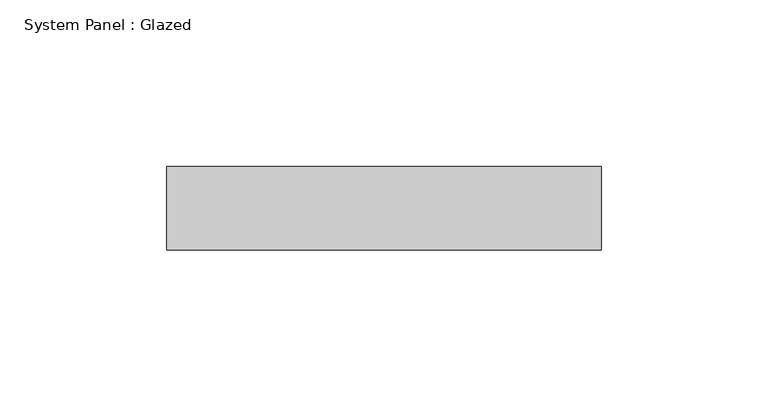
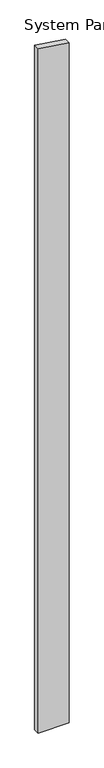
"""IFC4 building model written with IfcOpenShell, lengths in millimetres: plate geometry, System Panel : Glazed."""

import ifcopenshell
import ifcopenshell.guid

model = None  # the IFC model being written
_history = None  # IfcOwnerHistory: only IFC2X3 demands one
_inside = {}  # id of a spatial element -> (the spatial element, [elements in it])
_under = {}  # id of a project, library or spatial element -> (it, [spatial elements below it])
_declared = {}  # id of a project -> (the project, [libraries it declares])
_typed = {}  # id of a type object -> (the type object, [elements of that type])
_made_of = {}  # id of a material, layer set ... -> (it, [elements and type objects made of it])


def new_model(schema):
    """Start an empty IFC model of exactly this schema.

    Asked for "IFC4X3", IfcOpenShell would pick the latest addendum, in which some entities
    have other attributes; the version numbers below select the first issue.
    IFC2X3 requires an IfcOwnerHistory on every rooted entity: one is made here for all.
    """
    global model, _history
    if schema == "IFC4X3":
        model = ifcopenshell.file(schema_version=(4, 3, 0, 0))
    else:
        model = ifcopenshell.file(schema=schema)
    _inside.clear()
    _under.clear()
    _declared.clear()
    _typed.clear()
    _made_of.clear()
    _history = None
    if model.schema == "IFC2X3":
        org = make("IfcOrganization", Name="unknown")
        user = make(
            "IfcPersonAndOrganization",
            ThePerson=make("IfcPerson", FamilyName="unknown"),
            TheOrganization=org,
        )
        app = make(
            "IfcApplication",
            ApplicationDeveloper=org,
            Version="unknown",
            ApplicationFullName="unknown",
            ApplicationIdentifier="unknown",
        )
        _history = make(
            "IfcOwnerHistory",
            OwningUser=user,
            OwningApplication=app,
            ChangeAction="ADDED",
            CreationDate=0,
        )
    return model


def make(cls, **values):
    """One entity of the class cls with the attributes given. An attribute that is None is left unset."""
    return model.create_entity(
        cls, **{name: value for name, value in values.items() if value is not None}
    )


def rooted(cls, **values):
    """An entity with a GlobalId (a new one), such as an element, a storey or a relation."""
    return make(cls, GlobalId=ifcopenshell.guid.new(), OwnerHistory=_history, **values)


def si_unit(unit_type, name, prefix=None):
    """IfcSIUnit, for example si_unit("LENGTHUNIT", "METRE", prefix="MILLI")."""
    return make("IfcSIUnit", UnitType=unit_type, Prefix=prefix, Name=name)


def assignment(units):
    """IfcUnitAssignment: the units of a project."""
    return None if units is None else make("IfcUnitAssignment", Units=units)


def point(xyz):
    """IfcCartesianPoint."""
    return None if xyz is None else make("IfcCartesianPoint", Coordinates=xyz)


def direction(xyz):
    """IfcDirection."""
    return None if xyz is None else make("IfcDirection", DirectionRatios=xyz)


def frame(location, z_axis=None, x_axis=None):
    """IfcAxis2Placement3D, a coordinate frame: its origin and axes. An axis left out is left unset."""
    return make(
        "IfcAxis2Placement3D",
        Location=point(location),
        Axis=direction(z_axis),
        RefDirection=direction(x_axis),
    )


def origin():
    """The frame at (0, 0, 0) with its axes left unset."""
    return frame((0.0, 0.0, 0.0))


def place(relative_to, where):
    """IfcLocalPlacement: puts the frame where relative to a parent placement (None: the world)."""
    return make(
        "IfcLocalPlacement", PlacementRelTo=relative_to, RelativePlacement=where
    )


def context(
    kind, dimensions, precision=None, world=None, true_north=None, identifier=None
):
    """IfcGeometricRepresentationContext, for example the 3D "Model" context."""
    return make(
        "IfcGeometricRepresentationContext",
        ContextIdentifier=identifier,
        ContextType=kind,
        CoordinateSpaceDimension=dimensions,
        Precision=precision,
        WorldCoordinateSystem=world,
        TrueNorth=true_north,
    )


def project(units=None, contexts=None):
    """IfcProject with its units and contexts."""
    return rooted(
        "IfcProject",
        Name="project",
        RepresentationContexts=contexts,
        UnitsInContext=assignment(units),
    )


def spatial(cls, under=None, at=None, **own):
    """A site, building, storey or space (cls), placed at a placement, below another one or the project."""
    s = rooted(cls, ObjectPlacement=at, **own)
    if under is not None:
        _under.setdefault(under.id(), (under, []))[1].append(s)
    return s


def polyline(points):
    """IfcPolyline through the points."""
    return make("IfcPolyline", Points=[point(p) for p in points])


def outline(outer, holes=None, kind="AREA"):
    """IfcArbitraryClosedProfileDef: a profile drawn as a closed curve; with holes, ...WithVoids."""
    if holes is None:
        return make("IfcArbitraryClosedProfileDef", ProfileType=kind, OuterCurve=outer)
    return make(
        "IfcArbitraryProfileDefWithVoids",
        ProfileType=kind,
        OuterCurve=outer,
        InnerCurves=holes,
    )


def extrude(swept, where, along, depth):
    """IfcExtrudedAreaSolid: the profile swept, set in the frame where, extruded along a direction by depth."""
    return make(
        "IfcExtrudedAreaSolid",
        SweptArea=swept,
        Position=where,
        ExtrudedDirection=direction(along),
        Depth=depth,
    )


def shape(context_of_items, identifier, shape_type, items):
    """IfcShapeRepresentation: the items that make up one representation, for example the "Body"."""
    return make(
        "IfcShapeRepresentation",
        ContextOfItems=context_of_items,
        RepresentationIdentifier=identifier,
        RepresentationType=shape_type,
        Items=items,
    )


def source(mapping_origin, context_of_items, identifier, shape_type, items):
    """IfcRepresentationMap: a shape defined once, which mapped items show again and again."""
    return make(
        "IfcRepresentationMap",
        MappingOrigin=mapping_origin,
        MappedRepresentation=shape(context_of_items, identifier, shape_type, items),
    )


def transform(
    local_origin,
    x_axis=None,
    y_axis=None,
    z_axis=None,
    scale=None,
    scale2=None,
    scale3=None,
    uniform=True,
):
    """IfcCartesianTransformationOperator3D, or its non-uniform kind. x_axis, y_axis, z_axis: its Axis1, 2, 3."""
    if uniform:
        return make(
            "IfcCartesianTransformationOperator3D",
            Axis1=direction(x_axis),
            Axis2=direction(y_axis),
            LocalOrigin=point(local_origin),
            Scale=scale,
            Axis3=direction(z_axis),
        )
    return make(
        "IfcCartesianTransformationOperator3DnonUniform",
        Axis1=direction(x_axis),
        Axis2=direction(y_axis),
        LocalOrigin=point(local_origin),
        Scale=scale,
        Axis3=direction(z_axis),
        Scale2=scale2,
        Scale3=scale3,
    )


def mapped(mapping_source, mapping_target):
    """IfcMappedItem: shows the shape of a source again, moved by a transform."""
    return make(
        "IfcMappedItem", MappingSource=mapping_source, MappingTarget=mapping_target
    )


def made_of(thing, what):
    """Note that an element or type object is made of a material, layer set ...; save() writes the relation."""
    if what is not None:
        _made_of.setdefault(what.id(), (what, []))[1].append(thing)
    return thing


def element(
    cls,
    number,
    at=None,
    inside=None,
    cuts=None,
    type_object=None,
    material=None,
    context=None,
    identifier="Body",
    shape_type=None,
    held_by="IfcProductDefinitionShape",
    body=None,
    shapes=None,
    **own,
):
    """One element of the class cls, such as IfcWall. Its Tag is "e" and its number.

    at: its placement. inside: the storey or other place that contains it. cuts: it is an
    opening in that element (IfcRelVoidsElement). A single representation is given by context,
    identifier, shape_type and body (its items); several are given by shapes. held_by: the class
    of the entity that holds the representations. save() writes the other relations.
    """
    e = rooted(cls, Tag="e%d" % number, ObjectPlacement=at, **own)
    if body is not None:
        shapes = [shape(context, identifier, shape_type, body)]
    if shapes is not None:
        e.Representation = make(held_by, Representations=shapes)
    if inside is not None:
        _inside.setdefault(inside.id(), (inside, []))[1].append(e)
    if cuts is not None:
        rooted(
            "IfcRelVoidsElement", RelatingBuildingElement=cuts, RelatedOpeningElement=e
        )
    if type_object is not None:
        _typed.setdefault(type_object.id(), (type_object, []))[1].append(e)
    return made_of(e, material)


def aggregate(whole, parts):
    """IfcRelAggregates: a whole, such as a stair, and the parts it consists of."""
    return rooted("IfcRelAggregates", RelatingObject=whole, RelatedObjects=parts)


def save(model, path):
    """Write the relations noted so far, then the file.

    IfcRelAggregates (storeys below a building ...), IfcRelContainedInSpatialStructure (elements
    in a storey), IfcRelDefinesByType, IfcRelAssociatesMaterial and IfcRelDeclares: one each for
    every whole, place, type object, material and project.
    """
    for whole, parts in _under.values():
        aggregate(whole, parts)
    for where, things in _inside.values():
        rooted(
            "IfcRelContainedInSpatialStructure",
            RelatedElements=things,
            RelatingStructure=where,
        )
    for kind, things in _typed.values():
        rooted("IfcRelDefinesByType", RelatedObjects=things, RelatingType=kind)
    for what, things in _made_of.values():
        rooted("IfcRelAssociatesMaterial", RelatedObjects=things, RelatingMaterial=what)
    for by, libraries in _declared.values():
        rooted("IfcRelDeclares", RelatingContext=by, RelatedDefinitions=libraries)
    model.write(path)


def system_panel_glazed_c21b7824(model_context):
    return source(origin(), model_context, "Body", "SweptSolid", [
        extrude(outline(polyline([(0.0, -65.0), (0.0, 65.0), (3030.6115568, 65.0), (3049.8561485, -65.0), (0.0, -65.0)])), frame((0.0, 24.5, 0.0), z_axis=(0.0, 1.0, 0.0), x_axis=(0.0, 0.0, 1.0)), (0.0, 0.0, 1.0), 25.0),
    ])


if __name__ == "__main__":
    model = new_model("IFC4")
    model_context = context("Model", 3, world=origin())
    ifc_project = project(units=[si_unit("LENGTHUNIT", "METRE", prefix="MILLI")], contexts=[model_context])
    site = spatial("IfcSite", under=ifc_project)
    building = spatial("IfcBuilding", under=site)
    placement = place(None, origin())
    system_panel_glazed_shape = system_panel_glazed_c21b7824(model_context)
    element("IfcPlate", 1, ObjectType="System Panel : Glazed", at=placement, inside=building, context=model_context, shape_type="MappedRepresentation", body=[
        mapped(system_panel_glazed_shape, transform((0.0, 0.0, 0.0), x_axis=(1.0, 0.0, 0.0), y_axis=(0.0, 1.0, 0.0), z_axis=(0.0, 0.0, 1.0))),
    ])
    save(model, "model.ifc")
